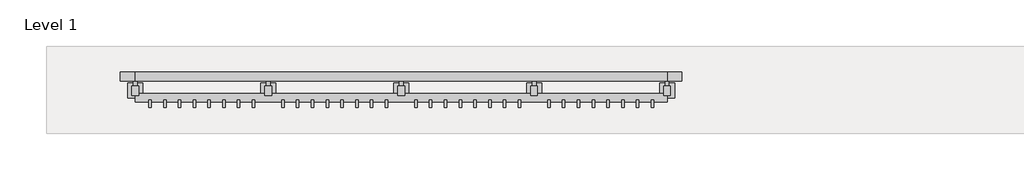
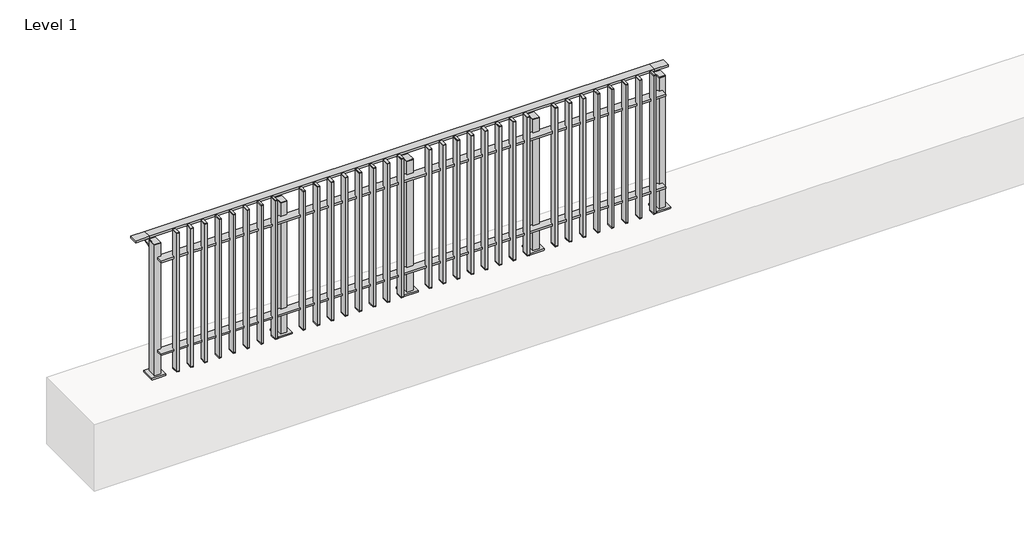
# One storey, part 6 of 17: 1 railing.
"""IFC4 building model written with IfcOpenShell, lengths in millimetres."""

from ifc_helpers import new_model, si_unit, point, frame, frame_2d, origin, origin_with_axes, place, context, project, spatial, polyline, circle_curve, trimmed, segment, composite_curve, outline, extrude, faceted_brep, element, save

model = new_model("IFC4")

# Units and contexts
model_context = context("Model", 3, world=origin())
ifc_project = project(units=[si_unit("LENGTHUNIT", "METRE", prefix="MILLI")], contexts=[model_context])

# Site, building, storey
site = spatial("IfcSite", under=ifc_project)
building = spatial("IfcBuilding", under=site)
storey = spatial("IfcBuildingStorey", under=building, Name="Level 1", Elevation=0.0)

# Railing
placement = place(None, origin())
element("IfcRailing", 1, at=placement, inside=storey, context=model_context, shape_type="SolidModel", body=[
    faceted_brep([(0.0, 5315.1846828, 985.0), (0.0, 5315.1846828, 1000.0), (3600.0, 5315.1846828, 1000.0), (3600.0, 5315.1846828, 985.0), (0.0, 5255.1846828, 985.0), (3600.0, 5255.1846828, 985.0), (0.0, 5255.1846828, 1000.0), (3600.0, 5255.1846828, 1000.0), (-100.0, 5315.1846828, 1000.0), (-100.0, 5315.1846828, 985.0), (-100.0, 5255.1846828, 985.0), (-100.0, 5255.1846828, 1000.0), (3700.0, 5315.1846828, 1000.0), (3700.0, 5255.1846828, 1000.0), (3700.0, 5255.1846828, 985.0), (3700.0, 5315.1846828, 985.0)], [[[0, 1, 2, 3]], [[4, 0, 3, 5]], [[6, 4, 5, 7]], [[1, 6, 7, 2]], [[8, 9, 10, 11]], [[9, 8, 1, 0]], [[10, 9, 0, 4]], [[11, 10, 4, 6]], [[8, 11, 6, 1]], [[12, 13, 14, 15]], [[3, 2, 12, 15]], [[5, 3, 15, 14]], [[7, 5, 14, 13]], [[2, 7, 13, 12]]]),
    extrude(outline(polyline([(0.0, 5111.6846828), (0.0, 5171.6846828), (3600.0, 5171.6846828), (3600.0, 5111.6846828), (0.0, 5111.6846828)])), frame((0.0, 0.0, 185.0), z_axis=(0.0, 0.0, 1.0), x_axis=(1.0, 0.0, 0.0)), (0.0, 0.0, 1.0), 15.0),
    extrude(outline(polyline([(0.0, 5111.6846828), (0.0, 5171.6846828), (3600.0, 5171.6846828), (3600.0, 5111.6846828), (0.0, 5111.6846828)])), frame((0.0, 0.0, 885.0), z_axis=(0.0, 0.0, 1.0), x_axis=(1.0, 0.0, 0.0)), (0.0, 0.0, 1.0), 15.0),
    extrude(outline(polyline([(3508.5, 5125.6846828), (3508.5, 5076.6846828), (3491.5, 5076.6846828), (3491.5, 5125.6846828), (3508.5, 5125.6846828)])), frame((0.0, 0.0, 50.0), z_axis=(0.0, 0.0, 1.0), x_axis=(1.0, 0.0, 0.0)), (0.0, 0.0, 1.0), 5.0),
    extrude(outline(polyline([(3508.5, 5125.6846828), (3508.5, 5076.6846828), (3491.5, 5076.6846828), (3491.5, 5125.6846828), (3508.5, 5125.6846828)])), frame((0.0, 0.0, 1095.0), z_axis=(0.0, 0.0, 1.0), x_axis=(1.0, 0.0, 0.0)), (0.0, 0.0, 1.0), 5.0),
    extrude(outline(polyline([(3491.5, 5076.6846828), (3491.5, 5125.6846828), (3508.5, 5125.6846828), (3508.5, 5076.6846828), (3491.5, 5076.6846828)])), frame((0.0, 0.0, 55.0), z_axis=(0.0, 0.0, 1.0), x_axis=(1.0, 0.0, 0.0)), (0.0, 0.0, 1.0), 1040.0),
    extrude(outline(polyline([(3408.5, 5125.6846828), (3408.5, 5076.6846828), (3391.5, 5076.6846828), (3391.5, 5125.6846828), (3408.5, 5125.6846828)])), frame((0.0, 0.0, 50.0), z_axis=(0.0, 0.0, 1.0), x_axis=(1.0, 0.0, 0.0)), (0.0, 0.0, 1.0), 5.0),
    extrude(outline(polyline([(3408.5, 5125.6846828), (3408.5, 5076.6846828), (3391.5, 5076.6846828), (3391.5, 5125.6846828), (3408.5, 5125.6846828)])), frame((0.0, 0.0, 1095.0), z_axis=(0.0, 0.0, 1.0), x_axis=(1.0, 0.0, 0.0)), (0.0, 0.0, 1.0), 5.0),
    extrude(outline(polyline([(3391.5, 5076.6846828), (3391.5, 5125.6846828), (3408.5, 5125.6846828), (3408.5, 5076.6846828), (3391.5, 5076.6846828)])), frame((0.0, 0.0, 55.0), z_axis=(0.0, 0.0, 1.0), x_axis=(1.0, 0.0, 0.0)), (0.0, 0.0, 1.0), 1040.0),
    extrude(outline(polyline([(3308.5, 5125.6846828), (3308.5, 5076.6846828), (3291.5, 5076.6846828), (3291.5, 5125.6846828), (3308.5, 5125.6846828)])), frame((0.0, 0.0, 50.0), z_axis=(0.0, 0.0, 1.0), x_axis=(1.0, 0.0, 0.0)), (0.0, 0.0, 1.0), 5.0),
    extrude(outline(polyline([(3308.5, 5125.6846828), (3308.5, 5076.6846828), (3291.5, 5076.6846828), (3291.5, 5125.6846828), (3308.5, 5125.6846828)])), frame((0.0, 0.0, 1095.0), z_axis=(0.0, 0.0, 1.0), x_axis=(1.0, 0.0, 0.0)), (0.0, 0.0, 1.0), 5.0),
    extrude(outline(polyline([(3291.5, 5076.6846828), (3291.5, 5125.6846828), (3308.5, 5125.6846828), (3308.5, 5076.6846828), (3291.5, 5076.6846828)])), frame((0.0, 0.0, 55.0), z_axis=(0.0, 0.0, 1.0), x_axis=(1.0, 0.0, 0.0)), (0.0, 0.0, 1.0), 1040.0),
    extrude(outline(polyline([(3208.5, 5125.6846828), (3208.5, 5076.6846828), (3191.5, 5076.6846828), (3191.5, 5125.6846828), (3208.5, 5125.6846828)])), frame((0.0, 0.0, 50.0), z_axis=(0.0, 0.0, 1.0), x_axis=(1.0, 0.0, 0.0)), (0.0, 0.0, 1.0), 5.0),
    extrude(outline(polyline([(3208.5, 5125.6846828), (3208.5, 5076.6846828), (3191.5, 5076.6846828), (3191.5, 5125.6846828), (3208.5, 5125.6846828)])), frame((0.0, 0.0, 1095.0), z_axis=(0.0, 0.0, 1.0), x_axis=(1.0, 0.0, 0.0)), (0.0, 0.0, 1.0), 5.0),
    extrude(outline(polyline([(3191.5, 5076.6846828), (3191.5, 5125.6846828), (3208.5, 5125.6846828), (3208.5, 5076.6846828), (3191.5, 5076.6846828)])), frame((0.0, 0.0, 55.0), z_axis=(0.0, 0.0, 1.0), x_axis=(1.0, 0.0, 0.0)), (0.0, 0.0, 1.0), 1040.0),
    extrude(outline(polyline([(3108.5, 5125.6846828), (3108.5, 5076.6846828), (3091.5, 5076.6846828), (3091.5, 5125.6846828), (3108.5, 5125.6846828)])), frame((0.0, 0.0, 50.0), z_axis=(0.0, 0.0, 1.0), x_axis=(1.0, 0.0, 0.0)), (0.0, 0.0, 1.0), 5.0),
    extrude(outline(polyline([(3108.5, 5125.6846828), (3108.5, 5076.6846828), (3091.5, 5076.6846828), (3091.5, 5125.6846828), (3108.5, 5125.6846828)])), frame((0.0, 0.0, 1095.0), z_axis=(0.0, 0.0, 1.0), x_axis=(1.0, 0.0, 0.0)), (0.0, 0.0, 1.0), 5.0),
    extrude(outline(polyline([(3091.5, 5076.6846828), (3091.5, 5125.6846828), (3108.5, 5125.6846828), (3108.5, 5076.6846828), (3091.5, 5076.6846828)])), frame((0.0, 0.0, 55.0), z_axis=(0.0, 0.0, 1.0), x_axis=(1.0, 0.0, 0.0)), (0.0, 0.0, 1.0), 1040.0),
    extrude(outline(polyline([(3008.5, 5125.6846828), (3008.5, 5076.6846828), (2991.5, 5076.6846828), (2991.5, 5125.6846828), (3008.5, 5125.6846828)])), frame((0.0, 0.0, 50.0), z_axis=(0.0, 0.0, 1.0), x_axis=(1.0, 0.0, 0.0)), (0.0, 0.0, 1.0), 5.0),
    extrude(outline(polyline([(3008.5, 5125.6846828), (3008.5, 5076.6846828), (2991.5, 5076.6846828), (2991.5, 5125.6846828), (3008.5, 5125.6846828)])), frame((0.0, 0.0, 1095.0), z_axis=(0.0, 0.0, 1.0), x_axis=(1.0, 0.0, 0.0)), (0.0, 0.0, 1.0), 5.0),
    extrude(outline(polyline([(2991.5, 5076.6846828), (2991.5, 5125.6846828), (3008.5, 5125.6846828), (3008.5, 5076.6846828), (2991.5, 5076.6846828)])), frame((0.0, 0.0, 55.0), z_axis=(0.0, 0.0, 1.0), x_axis=(1.0, 0.0, 0.0)), (0.0, 0.0, 1.0), 1040.0),
    extrude(outline(polyline([(2908.5, 5125.6846828), (2908.5, 5076.6846828), (2891.5, 5076.6846828), (2891.5, 5125.6846828), (2908.5, 5125.6846828)])), frame((0.0, 0.0, 50.0), z_axis=(0.0, 0.0, 1.0), x_axis=(1.0, 0.0, 0.0)), (0.0, 0.0, 1.0), 5.0),
    extrude(outline(polyline([(2908.5, 5125.6846828), (2908.5, 5076.6846828), (2891.5, 5076.6846828), (2891.5, 5125.6846828), (2908.5, 5125.6846828)])), frame((0.0, 0.0, 1095.0), z_axis=(0.0, 0.0, 1.0), x_axis=(1.0, 0.0, 0.0)), (0.0, 0.0, 1.0), 5.0),
    extrude(outline(polyline([(2891.5, 5076.6846828), (2891.5, 5125.6846828), (2908.5, 5125.6846828), (2908.5, 5076.6846828), (2891.5, 5076.6846828)])), frame((0.0, 0.0, 55.0), z_axis=(0.0, 0.0, 1.0), x_axis=(1.0, 0.0, 0.0)), (0.0, 0.0, 1.0), 1040.0),
    extrude(outline(polyline([(2808.5, 5125.6846828), (2808.5, 5076.6846828), (2791.5, 5076.6846828), (2791.5, 5125.6846828), (2808.5, 5125.6846828)])), frame((0.0, 0.0, 50.0), z_axis=(0.0, 0.0, 1.0), x_axis=(1.0, 0.0, 0.0)), (0.0, 0.0, 1.0), 5.0),
    extrude(outline(polyline([(2808.5, 5125.6846828), (2808.5, 5076.6846828), (2791.5, 5076.6846828), (2791.5, 5125.6846828), (2808.5, 5125.6846828)])), frame((0.0, 0.0, 1095.0), z_axis=(0.0, 0.0, 1.0), x_axis=(1.0, 0.0, 0.0)), (0.0, 0.0, 1.0), 5.0),
    extrude(outline(polyline([(2791.5, 5076.6846828), (2791.5, 5125.6846828), (2808.5, 5125.6846828), (2808.5, 5076.6846828), (2791.5, 5076.6846828)])), frame((0.0, 0.0, 55.0), z_axis=(0.0, 0.0, 1.0), x_axis=(1.0, 0.0, 0.0)), (0.0, 0.0, 1.0), 1040.0),
    extrude(outline(composite_curve([segment(polyline([(5310.6846828, 985.0), (5310.6846828, 960.900037)]), True, "CONTINUOUS"), segment(trimmed(circle_curve(frame_2d((5300.6846828, 960.900037)), 10.0), [point((5310.6846828, 960.900037))], [point((5303.2728733, 951.2407787))], False, "CARTESIAN"), True, "CONTINUOUS"), segment(polyline([(5303.2728733, 951.2407787), (5246.2244733, 935.9547061)]), True, "CONTINUOUS"), segment(trimmed(circle_curve(frame_2d((5248.8126638, 926.2954478)), 10.0), [point((5246.2244733, 935.9547061))], [point((5238.8982152, 927.6007097))], True, "CARTESIAN"), True, "CONTINUOUS"), segment(polyline([(5238.8982152, 927.6007097), (5234.291393, 892.6084214)]), True, "CONTINUOUS"), segment(trimmed(circle_curve(frame_2d((5231.3170584, 893.0)), 3.0), [point((5234.291393, 892.6084214))], [point((5231.3170584, 890.0))], False, "CARTESIAN"), True, "CONTINUOUS"), segment(polyline([(5231.3170584, 890.0), (5222.6846828, 890.0), (5222.6846828, 940.0), (5286.6846828, 957.1487483), (5286.6846828, 985.0), (5310.6846828, 985.0)]), True, "CONTINUOUS")], self_intersect=False)), frame((2687.5, 0.0, 0.0), z_axis=(1.0, 0.0, 0.0), x_axis=(0.0, 1.0, 0.0)), (0.0, 0.0, 1.0), 25.0),
    extrude(outline(polyline([(2722.5, 5222.6846828), (2722.5, 5157.6846828), (2677.5, 5157.6846828), (2677.5, 5222.6846828), (2722.5, 5222.6846828)])), frame((0.0, 0.0, 1000.0), z_axis=(0.0, 0.0, 1.0), x_axis=(1.0, 0.0, 0.0)), (0.0, 0.0, 1.0), 5.0),
    extrude(outline(polyline([(2750.0, 5240.1846828), (2750.0, 5140.1846828), (2650.0, 5140.1846828), (2650.0, 5240.1846828), (2750.0, 5240.1846828)])), origin_with_axes(), (0.0, 0.0, 1.0), 12.0),
    extrude(outline(polyline([(2722.5, 5222.6846828), (2722.5, 5157.6846828), (2677.5, 5157.6846828), (2677.5, 5222.6846828), (2722.5, 5222.6846828)])), frame((0.0, 0.0, 12.0), z_axis=(0.0, 0.0, 1.0), x_axis=(1.0, 0.0, 0.0)), (0.0, 0.0, 1.0), 988.0),
    extrude(outline(polyline([(2608.5, 5125.6846828), (2608.5, 5076.6846828), (2591.5, 5076.6846828), (2591.5, 5125.6846828), (2608.5, 5125.6846828)])), frame((0.0, 0.0, 50.0), z_axis=(0.0, 0.0, 1.0), x_axis=(1.0, 0.0, 0.0)), (0.0, 0.0, 1.0), 5.0),
    extrude(outline(polyline([(2608.5, 5125.6846828), (2608.5, 5076.6846828), (2591.5, 5076.6846828), (2591.5, 5125.6846828), (2608.5, 5125.6846828)])), frame((0.0, 0.0, 1095.0), z_axis=(0.0, 0.0, 1.0), x_axis=(1.0, 0.0, 0.0)), (0.0, 0.0, 1.0), 5.0),
    extrude(outline(polyline([(2591.5, 5076.6846828), (2591.5, 5125.6846828), (2608.5, 5125.6846828), (2608.5, 5076.6846828), (2591.5, 5076.6846828)])), frame((0.0, 0.0, 55.0), z_axis=(0.0, 0.0, 1.0), x_axis=(1.0, 0.0, 0.0)), (0.0, 0.0, 1.0), 1040.0),
    extrude(outline(polyline([(2508.5, 5125.6846828), (2508.5, 5076.6846828), (2491.5, 5076.6846828), (2491.5, 5125.6846828), (2508.5, 5125.6846828)])), frame((0.0, 0.0, 50.0), z_axis=(0.0, 0.0, 1.0), x_axis=(1.0, 0.0, 0.0)), (0.0, 0.0, 1.0), 5.0),
    extrude(outline(polyline([(2508.5, 5125.6846828), (2508.5, 5076.6846828), (2491.5, 5076.6846828), (2491.5, 5125.6846828), (2508.5, 5125.6846828)])), frame((0.0, 0.0, 1095.0), z_axis=(0.0, 0.0, 1.0), x_axis=(1.0, 0.0, 0.0)), (0.0, 0.0, 1.0), 5.0),
    extrude(outline(polyline([(2491.5, 5076.6846828), (2491.5, 5125.6846828), (2508.5, 5125.6846828), (2508.5, 5076.6846828), (2491.5, 5076.6846828)])), frame((0.0, 0.0, 55.0), z_axis=(0.0, 0.0, 1.0), x_axis=(1.0, 0.0, 0.0)), (0.0, 0.0, 1.0), 1040.0),
    extrude(outline(polyline([(2408.5, 5125.6846828), (2408.5, 5076.6846828), (2391.5, 5076.6846828), (2391.5, 5125.6846828), (2408.5, 5125.6846828)])), frame((0.0, 0.0, 50.0), z_axis=(0.0, 0.0, 1.0), x_axis=(1.0, 0.0, 0.0)), (0.0, 0.0, 1.0), 5.0),
    extrude(outline(polyline([(2408.5, 5125.6846828), (2408.5, 5076.6846828), (2391.5, 5076.6846828), (2391.5, 5125.6846828), (2408.5, 5125.6846828)])), frame((0.0, 0.0, 1095.0), z_axis=(0.0, 0.0, 1.0), x_axis=(1.0, 0.0, 0.0)), (0.0, 0.0, 1.0), 5.0),
    extrude(outline(polyline([(2391.5, 5076.6846828), (2391.5, 5125.6846828), (2408.5, 5125.6846828), (2408.5, 5076.6846828), (2391.5, 5076.6846828)])), frame((0.0, 0.0, 55.0), z_axis=(0.0, 0.0, 1.0), x_axis=(1.0, 0.0, 0.0)), (0.0, 0.0, 1.0), 1040.0),
    extrude(outline(polyline([(2308.5, 5125.6846828), (2308.5, 5076.6846828), (2291.5, 5076.6846828), (2291.5, 5125.6846828), (2308.5, 5125.6846828)])), frame((0.0, 0.0, 50.0), z_axis=(0.0, 0.0, 1.0), x_axis=(1.0, 0.0, 0.0)), (0.0, 0.0, 1.0), 5.0),
    extrude(outline(polyline([(2308.5, 5125.6846828), (2308.5, 5076.6846828), (2291.5, 5076.6846828), (2291.5, 5125.6846828), (2308.5, 5125.6846828)])), frame((0.0, 0.0, 1095.0), z_axis=(0.0, 0.0, 1.0), x_axis=(1.0, 0.0, 0.0)), (0.0, 0.0, 1.0), 5.0),
    extrude(outline(polyline([(2291.5, 5076.6846828), (2291.5, 5125.6846828), (2308.5, 5125.6846828), (2308.5, 5076.6846828), (2291.5, 5076.6846828)])), frame((0.0, 0.0, 55.0), z_axis=(0.0, 0.0, 1.0), x_axis=(1.0, 0.0, 0.0)), (0.0, 0.0, 1.0), 1040.0),
    extrude(outline(polyline([(2208.5, 5125.6846828), (2208.5, 5076.6846828), (2191.5, 5076.6846828), (2191.5, 5125.6846828), (2208.5, 5125.6846828)])), frame((0.0, 0.0, 50.0), z_axis=(0.0, 0.0, 1.0), x_axis=(1.0, 0.0, 0.0)), (0.0, 0.0, 1.0), 5.0),
    extrude(outline(polyline([(2208.5, 5125.6846828), (2208.5, 5076.6846828), (2191.5, 5076.6846828), (2191.5, 5125.6846828), (2208.5, 5125.6846828)])), frame((0.0, 0.0, 1095.0), z_axis=(0.0, 0.0, 1.0), x_axis=(1.0, 0.0, 0.0)), (0.0, 0.0, 1.0), 5.0),
    extrude(outline(polyline([(2191.5, 5076.6846828), (2191.5, 5125.6846828), (2208.5, 5125.6846828), (2208.5, 5076.6846828), (2191.5, 5076.6846828)])), frame((0.0, 0.0, 55.0), z_axis=(0.0, 0.0, 1.0), x_axis=(1.0, 0.0, 0.0)), (0.0, 0.0, 1.0), 1040.0),
    extrude(outline(polyline([(2108.5, 5125.6846828), (2108.5, 5076.6846828), (2091.5, 5076.6846828), (2091.5, 5125.6846828), (2108.5, 5125.6846828)])), frame((0.0, 0.0, 50.0), z_axis=(0.0, 0.0, 1.0), x_axis=(1.0, 0.0, 0.0)), (0.0, 0.0, 1.0), 5.0),
    extrude(outline(polyline([(2108.5, 5125.6846828), (2108.5, 5076.6846828), (2091.5, 5076.6846828), (2091.5, 5125.6846828), (2108.5, 5125.6846828)])), frame((0.0, 0.0, 1095.0), z_axis=(0.0, 0.0, 1.0), x_axis=(1.0, 0.0, 0.0)), (0.0, 0.0, 1.0), 5.0),
    extrude(outline(polyline([(2091.5, 5076.6846828), (2091.5, 5125.6846828), (2108.5, 5125.6846828), (2108.5, 5076.6846828), (2091.5, 5076.6846828)])), frame((0.0, 0.0, 55.0), z_axis=(0.0, 0.0, 1.0), x_axis=(1.0, 0.0, 0.0)), (0.0, 0.0, 1.0), 1040.0),
    extrude(outline(polyline([(2008.5, 5125.6846828), (2008.5, 5076.6846828), (1991.5, 5076.6846828), (1991.5, 5125.6846828), (2008.5, 5125.6846828)])), frame((0.0, 0.0, 50.0), z_axis=(0.0, 0.0, 1.0), x_axis=(1.0, 0.0, 0.0)), (0.0, 0.0, 1.0), 5.0),
    extrude(outline(polyline([(2008.5, 5125.6846828), (2008.5, 5076.6846828), (1991.5, 5076.6846828), (1991.5, 5125.6846828), (2008.5, 5125.6846828)])), frame((0.0, 0.0, 1095.0), z_axis=(0.0, 0.0, 1.0), x_axis=(1.0, 0.0, 0.0)), (0.0, 0.0, 1.0), 5.0),
    extrude(outline(polyline([(1991.5, 5076.6846828), (1991.5, 5125.6846828), (2008.5, 5125.6846828), (2008.5, 5076.6846828), (1991.5, 5076.6846828)])), frame((0.0, 0.0, 55.0), z_axis=(0.0, 0.0, 1.0), x_axis=(1.0, 0.0, 0.0)), (0.0, 0.0, 1.0), 1040.0),
    extrude(outline(polyline([(1908.5, 5125.6846828), (1908.5, 5076.6846828), (1891.5, 5076.6846828), (1891.5, 5125.6846828), (1908.5, 5125.6846828)])), frame((0.0, 0.0, 50.0), z_axis=(0.0, 0.0, 1.0), x_axis=(1.0, 0.0, 0.0)), (0.0, 0.0, 1.0), 5.0),
    extrude(outline(polyline([(1908.5, 5125.6846828), (1908.5, 5076.6846828), (1891.5, 5076.6846828), (1891.5, 5125.6846828), (1908.5, 5125.6846828)])), frame((0.0, 0.0, 1095.0), z_axis=(0.0, 0.0, 1.0), x_axis=(1.0, 0.0, 0.0)), (0.0, 0.0, 1.0), 5.0),
    extrude(outline(polyline([(1891.5, 5076.6846828), (1891.5, 5125.6846828), (1908.5, 5125.6846828), (1908.5, 5076.6846828), (1891.5, 5076.6846828)])), frame((0.0, 0.0, 55.0), z_axis=(0.0, 0.0, 1.0), x_axis=(1.0, 0.0, 0.0)), (0.0, 0.0, 1.0), 1040.0),
    extrude(outline(composite_curve([segment(polyline([(5310.6846828, 985.0), (5310.6846828, 960.900037)]), True, "CONTINUOUS"), segment(trimmed(circle_curve(frame_2d((5300.6846828, 960.900037)), 10.0), [point((5310.6846828, 960.900037))], [point((5303.2728733, 951.2407787))], False, "CARTESIAN"), True, "CONTINUOUS"), segment(polyline([(5303.2728733, 951.2407787), (5246.2244733, 935.9547061)]), True, "CONTINUOUS"), segment(trimmed(circle_curve(frame_2d((5248.8126638, 926.2954478)), 10.0), [point((5246.2244733, 935.9547061))], [point((5238.8982152, 927.6007097))], True, "CARTESIAN"), True, "CONTINUOUS"), segment(polyline([(5238.8982152, 927.6007097), (5234.291393, 892.6084214)]), True, "CONTINUOUS"), segment(trimmed(circle_curve(frame_2d((5231.3170584, 893.0)), 3.0), [point((5234.291393, 892.6084214))], [point((5231.3170584, 890.0))], False, "CARTESIAN"), True, "CONTINUOUS"), segment(polyline([(5231.3170584, 890.0), (5222.6846828, 890.0), (5222.6846828, 940.0), (5286.6846828, 957.1487483), (5286.6846828, 985.0), (5310.6846828, 985.0)]), True, "CONTINUOUS")], self_intersect=False)), frame((1787.5, 0.0, 0.0), z_axis=(1.0, 0.0, 0.0), x_axis=(0.0, 1.0, 0.0)), (0.0, 0.0, 1.0), 25.0),
    extrude(outline(polyline([(1822.5, 5222.6846828), (1822.5, 5157.6846828), (1777.5, 5157.6846828), (1777.5, 5222.6846828), (1822.5, 5222.6846828)])), frame((0.0, 0.0, 1000.0), z_axis=(0.0, 0.0, 1.0), x_axis=(1.0, 0.0, 0.0)), (0.0, 0.0, 1.0), 5.0),
    extrude(outline(polyline([(1850.0, 5240.1846828), (1850.0, 5140.1846828), (1750.0, 5140.1846828), (1750.0, 5240.1846828), (1850.0, 5240.1846828)])), origin_with_axes(), (0.0, 0.0, 1.0), 12.0),
    extrude(outline(polyline([(1822.5, 5222.6846828), (1822.5, 5157.6846828), (1777.5, 5157.6846828), (1777.5, 5222.6846828), (1822.5, 5222.6846828)])), frame((0.0, 0.0, 12.0), z_axis=(0.0, 0.0, 1.0), x_axis=(1.0, 0.0, 0.0)), (0.0, 0.0, 1.0), 988.0),
    extrude(outline(polyline([(1708.5, 5125.6846828), (1708.5, 5076.6846828), (1691.5, 5076.6846828), (1691.5, 5125.6846828), (1708.5, 5125.6846828)])), frame((0.0, 0.0, 50.0), z_axis=(0.0, 0.0, 1.0), x_axis=(1.0, 0.0, 0.0)), (0.0, 0.0, 1.0), 5.0),
    extrude(outline(polyline([(1708.5, 5125.6846828), (1708.5, 5076.6846828), (1691.5, 5076.6846828), (1691.5, 5125.6846828), (1708.5, 5125.6846828)])), frame((0.0, 0.0, 1095.0), z_axis=(0.0, 0.0, 1.0), x_axis=(1.0, 0.0, 0.0)), (0.0, 0.0, 1.0), 5.0),
    extrude(outline(polyline([(1691.5, 5076.6846828), (1691.5, 5125.6846828), (1708.5, 5125.6846828), (1708.5, 5076.6846828), (1691.5, 5076.6846828)])), frame((0.0, 0.0, 55.0), z_axis=(0.0, 0.0, 1.0), x_axis=(1.0, 0.0, 0.0)), (0.0, 0.0, 1.0), 1040.0),
    extrude(outline(polyline([(1608.5, 5125.6846828), (1608.5, 5076.6846828), (1591.5, 5076.6846828), (1591.5, 5125.6846828), (1608.5, 5125.6846828)])), frame((0.0, 0.0, 50.0), z_axis=(0.0, 0.0, 1.0), x_axis=(1.0, 0.0, 0.0)), (0.0, 0.0, 1.0), 5.0),
    extrude(outline(polyline([(1608.5, 5125.6846828), (1608.5, 5076.6846828), (1591.5, 5076.6846828), (1591.5, 5125.6846828), (1608.5, 5125.6846828)])), frame((0.0, 0.0, 1095.0), z_axis=(0.0, 0.0, 1.0), x_axis=(1.0, 0.0, 0.0)), (0.0, 0.0, 1.0), 5.0),
    extrude(outline(polyline([(1591.5, 5076.6846828), (1591.5, 5125.6846828), (1608.5, 5125.6846828), (1608.5, 5076.6846828), (1591.5, 5076.6846828)])), frame((0.0, 0.0, 55.0), z_axis=(0.0, 0.0, 1.0), x_axis=(1.0, 0.0, 0.0)), (0.0, 0.0, 1.0), 1040.0),
    extrude(outline(polyline([(1508.5, 5125.6846828), (1508.5, 5076.6846828), (1491.5, 5076.6846828), (1491.5, 5125.6846828), (1508.5, 5125.6846828)])), frame((0.0, 0.0, 50.0), z_axis=(0.0, 0.0, 1.0), x_axis=(1.0, 0.0, 0.0)), (0.0, 0.0, 1.0), 5.0),
    extrude(outline(polyline([(1508.5, 5125.6846828), (1508.5, 5076.6846828), (1491.5, 5076.6846828), (1491.5, 5125.6846828), (1508.5, 5125.6846828)])), frame((0.0, 0.0, 1095.0), z_axis=(0.0, 0.0, 1.0), x_axis=(1.0, 0.0, 0.0)), (0.0, 0.0, 1.0), 5.0),
    extrude(outline(polyline([(1491.5, 5076.6846828), (1491.5, 5125.6846828), (1508.5, 5125.6846828), (1508.5, 5076.6846828), (1491.5, 5076.6846828)])), frame((0.0, 0.0, 55.0), z_axis=(0.0, 0.0, 1.0), x_axis=(1.0, 0.0, 0.0)), (0.0, 0.0, 1.0), 1040.0),
    extrude(outline(polyline([(1408.5, 5125.6846828), (1408.5, 5076.6846828), (1391.5, 5076.6846828), (1391.5, 5125.6846828), (1408.5, 5125.6846828)])), frame((0.0, 0.0, 50.0), z_axis=(0.0, 0.0, 1.0), x_axis=(1.0, 0.0, 0.0)), (0.0, 0.0, 1.0), 5.0),
    extrude(outline(polyline([(1408.5, 5125.6846828), (1408.5, 5076.6846828), (1391.5, 5076.6846828), (1391.5, 5125.6846828), (1408.5, 5125.6846828)])), frame((0.0, 0.0, 1095.0), z_axis=(0.0, 0.0, 1.0), x_axis=(1.0, 0.0, 0.0)), (0.0, 0.0, 1.0), 5.0),
    extrude(outline(polyline([(1391.5, 5076.6846828), (1391.5, 5125.6846828), (1408.5, 5125.6846828), (1408.5, 5076.6846828), (1391.5, 5076.6846828)])), frame((0.0, 0.0, 55.0), z_axis=(0.0, 0.0, 1.0), x_axis=(1.0, 0.0, 0.0)), (0.0, 0.0, 1.0), 1040.0),
    extrude(outline(polyline([(1308.5, 5125.6846828), (1308.5, 5076.6846828), (1291.5, 5076.6846828), (1291.5, 5125.6846828), (1308.5, 5125.6846828)])), frame((0.0, 0.0, 50.0), z_axis=(0.0, 0.0, 1.0), x_axis=(1.0, 0.0, 0.0)), (0.0, 0.0, 1.0), 5.0),
    extrude(outline(polyline([(1308.5, 5125.6846828), (1308.5, 5076.6846828), (1291.5, 5076.6846828), (1291.5, 5125.6846828), (1308.5, 5125.6846828)])), frame((0.0, 0.0, 1095.0), z_axis=(0.0, 0.0, 1.0), x_axis=(1.0, 0.0, 0.0)), (0.0, 0.0, 1.0), 5.0),
    extrude(outline(polyline([(1291.5, 5076.6846828), (1291.5, 5125.6846828), (1308.5, 5125.6846828), (1308.5, 5076.6846828), (1291.5, 5076.6846828)])), frame((0.0, 0.0, 55.0), z_axis=(0.0, 0.0, 1.0), x_axis=(1.0, 0.0, 0.0)), (0.0, 0.0, 1.0), 1040.0),
    extrude(outline(polyline([(1208.5, 5125.6846828), (1208.5, 5076.6846828), (1191.5, 5076.6846828), (1191.5, 5125.6846828), (1208.5, 5125.6846828)])), frame((0.0, 0.0, 50.0), z_axis=(0.0, 0.0, 1.0), x_axis=(1.0, 0.0, 0.0)), (0.0, 0.0, 1.0), 5.0),
    extrude(outline(polyline([(1208.5, 5125.6846828), (1208.5, 5076.6846828), (1191.5, 5076.6846828), (1191.5, 5125.6846828), (1208.5, 5125.6846828)])), frame((0.0, 0.0, 1095.0), z_axis=(0.0, 0.0, 1.0), x_axis=(1.0, 0.0, 0.0)), (0.0, 0.0, 1.0), 5.0),
    extrude(outline(polyline([(1191.5, 5076.6846828), (1191.5, 5125.6846828), (1208.5, 5125.6846828), (1208.5, 5076.6846828), (1191.5, 5076.6846828)])), frame((0.0, 0.0, 55.0), z_axis=(0.0, 0.0, 1.0), x_axis=(1.0, 0.0, 0.0)), (0.0, 0.0, 1.0), 1040.0),
    extrude(outline(polyline([(1108.5, 5125.6846828), (1108.5, 5076.6846828), (1091.5, 5076.6846828), (1091.5, 5125.6846828), (1108.5, 5125.6846828)])), frame((0.0, 0.0, 50.0), z_axis=(0.0, 0.0, 1.0), x_axis=(1.0, 0.0, 0.0)), (0.0, 0.0, 1.0), 5.0),
    extrude(outline(polyline([(1108.5, 5125.6846828), (1108.5, 5076.6846828), (1091.5, 5076.6846828), (1091.5, 5125.6846828), (1108.5, 5125.6846828)])), frame((0.0, 0.0, 1095.0), z_axis=(0.0, 0.0, 1.0), x_axis=(1.0, 0.0, 0.0)), (0.0, 0.0, 1.0), 5.0),
    extrude(outline(polyline([(1091.5, 5076.6846828), (1091.5, 5125.6846828), (1108.5, 5125.6846828), (1108.5, 5076.6846828), (1091.5, 5076.6846828)])), frame((0.0, 0.0, 55.0), z_axis=(0.0, 0.0, 1.0), x_axis=(1.0, 0.0, 0.0)), (0.0, 0.0, 1.0), 1040.0),
    extrude(outline(polyline([(1008.5, 5125.6846828), (1008.5, 5076.6846828), (991.5, 5076.6846828), (991.5, 5125.6846828), (1008.5, 5125.6846828)])), frame((0.0, 0.0, 50.0), z_axis=(0.0, 0.0, 1.0), x_axis=(1.0, 0.0, 0.0)), (0.0, 0.0, 1.0), 5.0),
    extrude(outline(polyline([(1008.5, 5125.6846828), (1008.5, 5076.6846828), (991.5, 5076.6846828), (991.5, 5125.6846828), (1008.5, 5125.6846828)])), frame((0.0, 0.0, 1095.0), z_axis=(0.0, 0.0, 1.0), x_axis=(1.0, 0.0, 0.0)), (0.0, 0.0, 1.0), 5.0),
    extrude(outline(polyline([(991.5, 5076.6846828), (991.5, 5125.6846828), (1008.5, 5125.6846828), (1008.5, 5076.6846828), (991.5, 5076.6846828)])), frame((0.0, 0.0, 55.0), z_axis=(0.0, 0.0, 1.0), x_axis=(1.0, 0.0, 0.0)), (0.0, 0.0, 1.0), 1040.0),
    extrude(outline(composite_curve([segment(polyline([(5310.6846828, 985.0), (5310.6846828, 960.900037)]), True, "CONTINUOUS"), segment(trimmed(circle_curve(frame_2d((5300.6846828, 960.900037)), 10.0), [point((5310.6846828, 960.900037))], [point((5303.2728733, 951.2407787))], False, "CARTESIAN"), True, "CONTINUOUS"), segment(polyline([(5303.2728733, 951.2407787), (5246.2244733, 935.9547061)]), True, "CONTINUOUS"), segment(trimmed(circle_curve(frame_2d((5248.8126638, 926.2954478)), 10.0), [point((5246.2244733, 935.9547061))], [point((5238.8982152, 927.6007097))], True, "CARTESIAN"), True, "CONTINUOUS"), segment(polyline([(5238.8982152, 927.6007097), (5234.291393, 892.6084214)]), True, "CONTINUOUS"), segment(trimmed(circle_curve(frame_2d((5231.3170584, 893.0)), 3.0), [point((5234.291393, 892.6084214))], [point((5231.3170584, 890.0))], False, "CARTESIAN"), True, "CONTINUOUS"), segment(polyline([(5231.3170584, 890.0), (5222.6846828, 890.0), (5222.6846828, 940.0), (5286.6846828, 957.1487483), (5286.6846828, 985.0), (5310.6846828, 985.0)]), True, "CONTINUOUS")], self_intersect=False)), frame((887.5, 0.0, 0.0), z_axis=(1.0, 0.0, 0.0), x_axis=(0.0, 1.0, 0.0)), (0.0, 0.0, 1.0), 25.0),
    extrude(outline(polyline([(922.5, 5222.6846828), (922.5, 5157.6846828), (877.5, 5157.6846828), (877.5, 5222.6846828), (922.5, 5222.6846828)])), frame((0.0, 0.0, 1000.0), z_axis=(0.0, 0.0, 1.0), x_axis=(1.0, 0.0, 0.0)), (0.0, 0.0, 1.0), 5.0),
    extrude(outline(polyline([(950.0, 5240.1846828), (950.0, 5140.1846828), (850.0, 5140.1846828), (850.0, 5240.1846828), (950.0, 5240.1846828)])), origin_with_axes(), (0.0, 0.0, 1.0), 12.0),
    extrude(outline(polyline([(922.5, 5222.6846828), (922.5, 5157.6846828), (877.5, 5157.6846828), (877.5, 5222.6846828), (922.5, 5222.6846828)])), frame((0.0, 0.0, 12.0), z_axis=(0.0, 0.0, 1.0), x_axis=(1.0, 0.0, 0.0)), (0.0, 0.0, 1.0), 988.0),
    extrude(outline(polyline([(808.5, 5125.6846828), (808.5, 5076.6846828), (791.5, 5076.6846828), (791.5, 5125.6846828), (808.5, 5125.6846828)])), frame((0.0, 0.0, 50.0), z_axis=(0.0, 0.0, 1.0), x_axis=(1.0, 0.0, 0.0)), (0.0, 0.0, 1.0), 5.0),
    extrude(outline(polyline([(808.5, 5125.6846828), (808.5, 5076.6846828), (791.5, 5076.6846828), (791.5, 5125.6846828), (808.5, 5125.6846828)])), frame((0.0, 0.0, 1095.0), z_axis=(0.0, 0.0, 1.0), x_axis=(1.0, 0.0, 0.0)), (0.0, 0.0, 1.0), 5.0),
    extrude(outline(polyline([(791.5, 5076.6846828), (791.5, 5125.6846828), (808.5, 5125.6846828), (808.5, 5076.6846828), (791.5, 5076.6846828)])), frame((0.0, 0.0, 55.0), z_axis=(0.0, 0.0, 1.0), x_axis=(1.0, 0.0, 0.0)), (0.0, 0.0, 1.0), 1040.0),
    extrude(outline(polyline([(708.5, 5125.6846828), (708.5, 5076.6846828), (691.5, 5076.6846828), (691.5, 5125.6846828), (708.5, 5125.6846828)])), frame((0.0, 0.0, 50.0), z_axis=(0.0, 0.0, 1.0), x_axis=(1.0, 0.0, 0.0)), (0.0, 0.0, 1.0), 5.0),
    extrude(outline(polyline([(708.5, 5125.6846828), (708.5, 5076.6846828), (691.5, 5076.6846828), (691.5, 5125.6846828), (708.5, 5125.6846828)])), frame((0.0, 0.0, 1095.0), z_axis=(0.0, 0.0, 1.0), x_axis=(1.0, 0.0, 0.0)), (0.0, 0.0, 1.0), 5.0),
    extrude(outline(polyline([(691.5, 5076.6846828), (691.5, 5125.6846828), (708.5, 5125.6846828), (708.5, 5076.6846828), (691.5, 5076.6846828)])), frame((0.0, 0.0, 55.0), z_axis=(0.0, 0.0, 1.0), x_axis=(1.0, 0.0, 0.0)), (0.0, 0.0, 1.0), 1040.0),
    extrude(outline(polyline([(608.5, 5125.6846828), (608.5, 5076.6846828), (591.5, 5076.6846828), (591.5, 5125.6846828), (608.5, 5125.6846828)])), frame((0.0, 0.0, 50.0), z_axis=(0.0, 0.0, 1.0), x_axis=(1.0, 0.0, 0.0)), (0.0, 0.0, 1.0), 5.0),
    extrude(outline(polyline([(608.5, 5125.6846828), (608.5, 5076.6846828), (591.5, 5076.6846828), (591.5, 5125.6846828), (608.5, 5125.6846828)])), frame((0.0, 0.0, 1095.0), z_axis=(0.0, 0.0, 1.0), x_axis=(1.0, 0.0, 0.0)), (0.0, 0.0, 1.0), 5.0),
    extrude(outline(polyline([(591.5, 5076.6846828), (591.5, 5125.6846828), (608.5, 5125.6846828), (608.5, 5076.6846828), (591.5, 5076.6846828)])), frame((0.0, 0.0, 55.0), z_axis=(0.0, 0.0, 1.0), x_axis=(1.0, 0.0, 0.0)), (0.0, 0.0, 1.0), 1040.0),
    extrude(outline(polyline([(508.5, 5125.6846828), (508.5, 5076.6846828), (491.5, 5076.6846828), (491.5, 5125.6846828), (508.5, 5125.6846828)])), frame((0.0, 0.0, 50.0), z_axis=(0.0, 0.0, 1.0), x_axis=(1.0, 0.0, 0.0)), (0.0, 0.0, 1.0), 5.0),
    extrude(outline(polyline([(508.5, 5125.6846828), (508.5, 5076.6846828), (491.5, 5076.6846828), (491.5, 5125.6846828), (508.5, 5125.6846828)])), frame((0.0, 0.0, 1095.0), z_axis=(0.0, 0.0, 1.0), x_axis=(1.0, 0.0, 0.0)), (0.0, 0.0, 1.0), 5.0),
    extrude(outline(polyline([(491.5, 5076.6846828), (491.5, 5125.6846828), (508.5, 5125.6846828), (508.5, 5076.6846828), (491.5, 5076.6846828)])), frame((0.0, 0.0, 55.0), z_axis=(0.0, 0.0, 1.0), x_axis=(1.0, 0.0, 0.0)), (0.0, 0.0, 1.0), 1040.0),
    extrude(outline(polyline([(408.5, 5125.6846828), (408.5, 5076.6846828), (391.5, 5076.6846828), (391.5, 5125.6846828), (408.5, 5125.6846828)])), frame((0.0, 0.0, 50.0), z_axis=(0.0, 0.0, 1.0), x_axis=(1.0, 0.0, 0.0)), (0.0, 0.0, 1.0), 5.0),
    extrude(outline(polyline([(408.5, 5125.6846828), (408.5, 5076.6846828), (391.5, 5076.6846828), (391.5, 5125.6846828), (408.5, 5125.6846828)])), frame((0.0, 0.0, 1095.0), z_axis=(0.0, 0.0, 1.0), x_axis=(1.0, 0.0, 0.0)), (0.0, 0.0, 1.0), 5.0),
    extrude(outline(polyline([(391.5, 5076.6846828), (391.5, 5125.6846828), (408.5, 5125.6846828), (408.5, 5076.6846828), (391.5, 5076.6846828)])), frame((0.0, 0.0, 55.0), z_axis=(0.0, 0.0, 1.0), x_axis=(1.0, 0.0, 0.0)), (0.0, 0.0, 1.0), 1040.0),
    extrude(outline(polyline([(308.5, 5125.6846828), (308.5, 5076.6846828), (291.5, 5076.6846828), (291.5, 5125.6846828), (308.5, 5125.6846828)])), frame((0.0, 0.0, 50.0), z_axis=(0.0, 0.0, 1.0), x_axis=(1.0, 0.0, 0.0)), (0.0, 0.0, 1.0), 5.0),
    extrude(outline(polyline([(308.5, 5125.6846828), (308.5, 5076.6846828), (291.5, 5076.6846828), (291.5, 5125.6846828), (308.5, 5125.6846828)])), frame((0.0, 0.0, 1095.0), z_axis=(0.0, 0.0, 1.0), x_axis=(1.0, 0.0, 0.0)), (0.0, 0.0, 1.0), 5.0),
    extrude(outline(polyline([(291.5, 5076.6846828), (291.5, 5125.6846828), (308.5, 5125.6846828), (308.5, 5076.6846828), (291.5, 5076.6846828)])), frame((0.0, 0.0, 55.0), z_axis=(0.0, 0.0, 1.0), x_axis=(1.0, 0.0, 0.0)), (0.0, 0.0, 1.0), 1040.0),
    extrude(outline(polyline([(208.5, 5125.6846828), (208.5, 5076.6846828), (191.5, 5076.6846828), (191.5, 5125.6846828), (208.5, 5125.6846828)])), frame((0.0, 0.0, 50.0), z_axis=(0.0, 0.0, 1.0), x_axis=(1.0, 0.0, 0.0)), (0.0, 0.0, 1.0), 5.0),
    extrude(outline(polyline([(208.5, 5125.6846828), (208.5, 5076.6846828), (191.5, 5076.6846828), (191.5, 5125.6846828), (208.5, 5125.6846828)])), frame((0.0, 0.0, 1095.0), z_axis=(0.0, 0.0, 1.0), x_axis=(1.0, 0.0, 0.0)), (0.0, 0.0, 1.0), 5.0),
    extrude(outline(polyline([(191.5, 5076.6846828), (191.5, 5125.6846828), (208.5, 5125.6846828), (208.5, 5076.6846828), (191.5, 5076.6846828)])), frame((0.0, 0.0, 55.0), z_axis=(0.0, 0.0, 1.0), x_axis=(1.0, 0.0, 0.0)), (0.0, 0.0, 1.0), 1040.0),
    extrude(outline(polyline([(108.5, 5125.6846828), (108.5, 5076.6846828), (91.5, 5076.6846828), (91.5, 5125.6846828), (108.5, 5125.6846828)])), frame((0.0, 0.0, 50.0), z_axis=(0.0, 0.0, 1.0), x_axis=(1.0, 0.0, 0.0)), (0.0, 0.0, 1.0), 5.0),
    extrude(outline(polyline([(108.5, 5125.6846828), (108.5, 5076.6846828), (91.5, 5076.6846828), (91.5, 5125.6846828), (108.5, 5125.6846828)])), frame((0.0, 0.0, 1095.0), z_axis=(0.0, 0.0, 1.0), x_axis=(1.0, 0.0, 0.0)), (0.0, 0.0, 1.0), 5.0),
    extrude(outline(polyline([(91.5, 5076.6846828), (91.5, 5125.6846828), (108.5, 5125.6846828), (108.5, 5076.6846828), (91.5, 5076.6846828)])), frame((0.0, 0.0, 55.0), z_axis=(0.0, 0.0, 1.0), x_axis=(1.0, 0.0, 0.0)), (0.0, 0.0, 1.0), 1040.0),
    extrude(outline(composite_curve([segment(polyline([(5310.6846828, 985.0), (5310.6846828, 960.900037)]), True, "CONTINUOUS"), segment(trimmed(circle_curve(frame_2d((5300.6846828, 960.900037)), 10.0), [point((5310.6846828, 960.900037))], [point((5303.2728733, 951.2407787))], False, "CARTESIAN"), True, "CONTINUOUS"), segment(polyline([(5303.2728733, 951.2407787), (5246.2244733, 935.9547061)]), True, "CONTINUOUS"), segment(trimmed(circle_curve(frame_2d((5248.8126638, 926.2954478)), 10.0), [point((5246.2244733, 935.9547061))], [point((5238.8982152, 927.6007097))], True, "CARTESIAN"), True, "CONTINUOUS"), segment(polyline([(5238.8982152, 927.6007097), (5234.291393, 892.6084214)]), True, "CONTINUOUS"), segment(trimmed(circle_curve(frame_2d((5231.3170584, 893.0)), 3.0), [point((5234.291393, 892.6084214))], [point((5231.3170584, 890.0))], False, "CARTESIAN"), True, "CONTINUOUS"), segment(polyline([(5231.3170584, 890.0), (5222.6846828, 890.0), (5222.6846828, 940.0), (5286.6846828, 957.1487483), (5286.6846828, 985.0), (5310.6846828, 985.0)]), True, "CONTINUOUS")], self_intersect=False)), frame((3587.5, 0.0, 0.0), z_axis=(1.0, 0.0, 0.0), x_axis=(0.0, 1.0, 0.0)), (0.0, 0.0, 1.0), 25.0),
    extrude(outline(polyline([(3622.5, 5222.6846828), (3622.5, 5157.6846828), (3577.5, 5157.6846828), (3577.5, 5222.6846828), (3622.5, 5222.6846828)])), frame((0.0, 0.0, 1000.0), z_axis=(0.0, 0.0, 1.0), x_axis=(1.0, 0.0, 0.0)), (0.0, 0.0, 1.0), 5.0),
    extrude(outline(polyline([(3650.0, 5240.1846828), (3650.0, 5140.1846828), (3550.0, 5140.1846828), (3550.0, 5240.1846828), (3650.0, 5240.1846828)])), origin_with_axes(), (0.0, 0.0, 1.0), 12.0),
    extrude(outline(polyline([(3622.5, 5222.6846828), (3622.5, 5157.6846828), (3577.5, 5157.6846828), (3577.5, 5222.6846828), (3622.5, 5222.6846828)])), frame((0.0, 0.0, 12.0), z_axis=(0.0, 0.0, 1.0), x_axis=(1.0, 0.0, 0.0)), (0.0, 0.0, 1.0), 988.0),
    extrude(outline(composite_curve([segment(polyline([(5310.6846828, 985.0), (5310.6846828, 960.900037)]), True, "CONTINUOUS"), segment(trimmed(circle_curve(frame_2d((5300.6846828, 960.900037)), 10.0), [point((5310.6846828, 960.900037))], [point((5303.2728733, 951.2407787))], False, "CARTESIAN"), True, "CONTINUOUS"), segment(polyline([(5303.2728733, 951.2407787), (5246.2244733, 935.9547061)]), True, "CONTINUOUS"), segment(trimmed(circle_curve(frame_2d((5248.8126638, 926.2954478)), 10.0), [point((5246.2244733, 935.9547061))], [point((5238.8982152, 927.6007097))], True, "CARTESIAN"), True, "CONTINUOUS"), segment(polyline([(5238.8982152, 927.6007097), (5234.291393, 892.6084214)]), True, "CONTINUOUS"), segment(trimmed(circle_curve(frame_2d((5231.3170584, 893.0)), 3.0), [point((5234.291393, 892.6084214))], [point((5231.3170584, 890.0))], False, "CARTESIAN"), True, "CONTINUOUS"), segment(polyline([(5231.3170584, 890.0), (5222.6846828, 890.0), (5222.6846828, 940.0), (5286.6846828, 957.1487483), (5286.6846828, 985.0), (5310.6846828, 985.0)]), True, "CONTINUOUS")], self_intersect=False)), frame((-12.5, 0.0, 0.0), z_axis=(1.0, 0.0, 0.0), x_axis=(0.0, 1.0, 0.0)), (0.0, 0.0, 1.0), 25.0),
    extrude(outline(polyline([(22.5, 5222.6846828), (22.5, 5157.6846828), (-22.5, 5157.6846828), (-22.5, 5222.6846828), (22.5, 5222.6846828)])), frame((0.0, 0.0, 1000.0), z_axis=(0.0, 0.0, 1.0), x_axis=(1.0, 0.0, 0.0)), (0.0, 0.0, 1.0), 5.0),
    extrude(outline(polyline([(50.0, 5240.1846828), (50.0, 5140.1846828), (-50.0, 5140.1846828), (-50.0, 5240.1846828), (50.0, 5240.1846828)])), origin_with_axes(), (0.0, 0.0, 1.0), 12.0),
    extrude(outline(polyline([(22.5, 5222.6846828), (22.5, 5157.6846828), (-22.5, 5157.6846828), (-22.5, 5222.6846828), (22.5, 5222.6846828)])), frame((0.0, 0.0, 12.0), z_axis=(0.0, 0.0, 1.0), x_axis=(1.0, 0.0, 0.0)), (0.0, 0.0, 1.0), 988.0),
])

save(model, "model.ifc")
